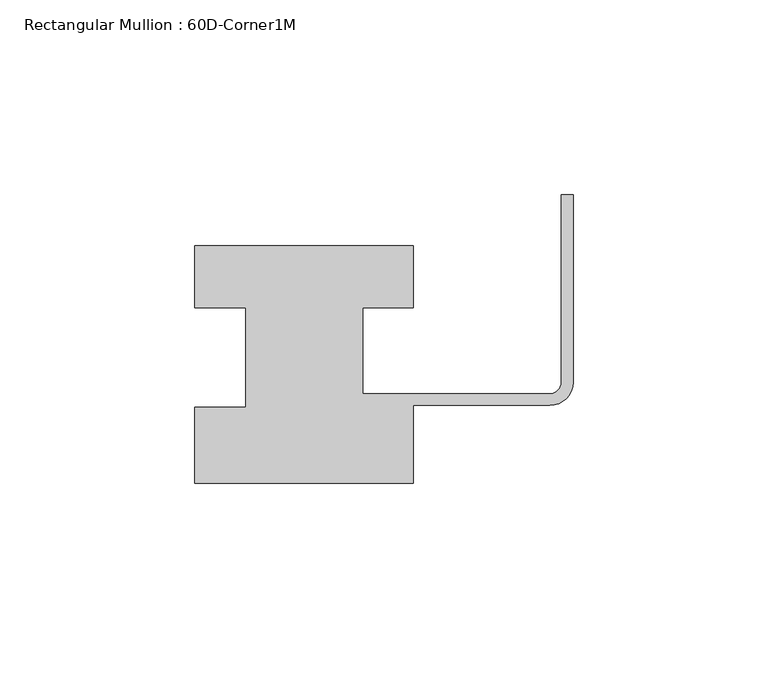
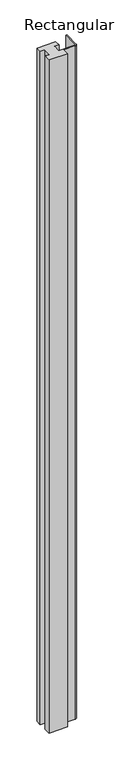
"""IFC4 building model written with IfcOpenShell, lengths in millimetres: member geometry, Rectangular Mullion : 60D-Corner1M."""

from ifc_helpers import new_model, si_unit, point, frame, frame_2d, origin, place, context, project, spatial, polyline, circle_curve, trimmed, segment, composite_curve, outline, extrude, source, transform, mapped, element, save


def rectangular_mullion_60d_corner1m_dab05865(model_context):
    return source(origin(), model_context, "Body", "SweptSolid", [
        extrude(outline(composite_curve([segment(polyline([(-97.0, 25.0), (-97.0, 41.0), (-41.0, 41.0), (-41.0, 25.0), (-54.0, 25.0), (-54.0, 3.0), (-6.0, 3.0)]), True, "CONTINUOUS"), segment(trimmed(circle_curve(frame_2d((-6.0, 6.0)), 3.0), [point((-6.0, 3.0))], [point((-3.0, 6.0))], True, "CARTESIAN"), True, "CONTINUOUS"), segment(polyline([(-3.0, 6.0), (-3.0, 54.0), (0.0, 54.0), (0.0, 6.0)]), True, "CONTINUOUS"), segment(trimmed(circle_curve(frame_2d((-6.0, 6.0)), 6.0), [point((0.0, 6.0))], [point((-6.0, 0.0))], False, "CARTESIAN"), True, "CONTINUOUS"), segment(polyline([(-6.0, 0.0), (-41.0, 0.0), (-41.0, -20.0), (-97.0, -20.0), (-97.0, -0.5), (-84.0, -0.5), (-84.0, 25.0), (-97.0, 25.0)]), True, "CONTINUOUS")], self_intersect=False)), frame((0.0, 0.0, -2144.0), z_axis=(0.0, 0.0, 1.0), x_axis=(1.0, 0.0, 0.0)), (0.0, 0.0, 1.0), 2144.0),
    ])


if __name__ == "__main__":
    model = new_model("IFC4")
    model_context = context("Model", 3, world=origin())
    ifc_project = project(units=[si_unit("LENGTHUNIT", "METRE", prefix="MILLI")], contexts=[model_context])
    site = spatial("IfcSite", under=ifc_project)
    building = spatial("IfcBuilding", under=site)
    placement = place(None, origin())
    rectangular_mullion_60d_corner1m_shape = rectangular_mullion_60d_corner1m_dab05865(model_context)
    element("IfcMember", 1, ObjectType="Rectangular Mullion : 60D-Corner1M", at=placement, inside=building, context=model_context, shape_type="MappedRepresentation", body=[
        mapped(rectangular_mullion_60d_corner1m_shape, transform((0.0, 0.0, 0.0), x_axis=(1.0, 0.0, 0.0), y_axis=(0.0, 1.0, 0.0), z_axis=(0.0, 0.0, 1.0))),
    ])
    save(model, "model.ifc")
